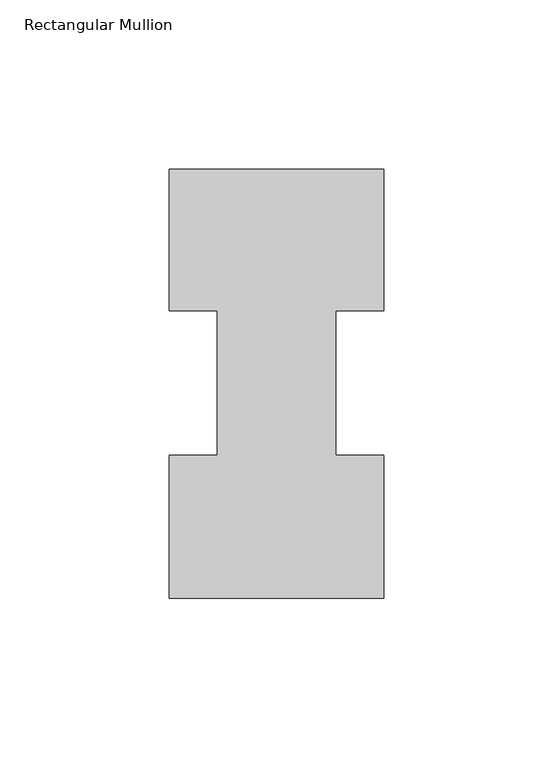
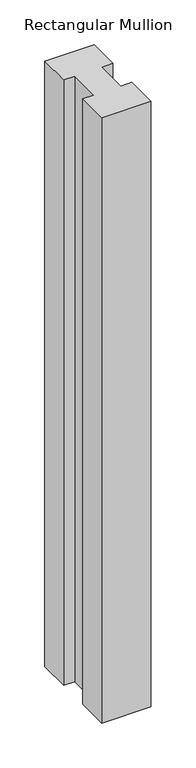
"""IFC4 building model written with IfcOpenShell, lengths in millimetres: member geometry, Rectangular Mullion."""

from ifc_helpers import new_model, si_unit, frame, origin, place, context, project, spatial, polyline, outline, extrude, source, transform, mapped, element, save


def rectangular_mullion_9e5cf842(model_context):
    return source(origin(), model_context, "Body", "SweptSolid", [
        extrude(outline(polyline([(-31.75, 126.9888875), (31.75, 126.9888875), (31.75, 85.1296875), (17.5062018, 85.1296875), (17.5062018, 42.2798875), (31.75, 42.2798875), (31.75, -0.0111125), (-31.75, -0.0111125), (-31.75, 42.2798875), (-17.4771974, 42.2798875), (-17.4771974, 85.1296875), (-31.75, 85.1296875), (-31.75, 126.9888875)])), frame((0.0, 0.0, -825.2520417), z_axis=(0.0, 0.0, 1.0), x_axis=(1.0, 0.0, 0.0)), (0.0, 0.0, 1.0), 825.2520417),
    ])


if __name__ == "__main__":
    model = new_model("IFC4")
    model_context = context("Model", 3, world=origin())
    ifc_project = project(units=[si_unit("LENGTHUNIT", "METRE", prefix="MILLI")], contexts=[model_context])
    site = spatial("IfcSite", under=ifc_project)
    building = spatial("IfcBuilding", under=site)
    placement = place(None, origin())
    rectangular_mullion_shape = rectangular_mullion_9e5cf842(model_context)
    element("IfcMember", 1, ObjectType="Rectangular Mullion", at=placement, inside=building, context=model_context, shape_type="MappedRepresentation", body=[
        mapped(rectangular_mullion_shape, transform((0.0, 0.0, 0.0), x_axis=(1.0, 0.0, 0.0), y_axis=(0.0, 1.0, 0.0), z_axis=(0.0, 0.0, 1.0))),
    ])
    save(model, "model.ifc")
